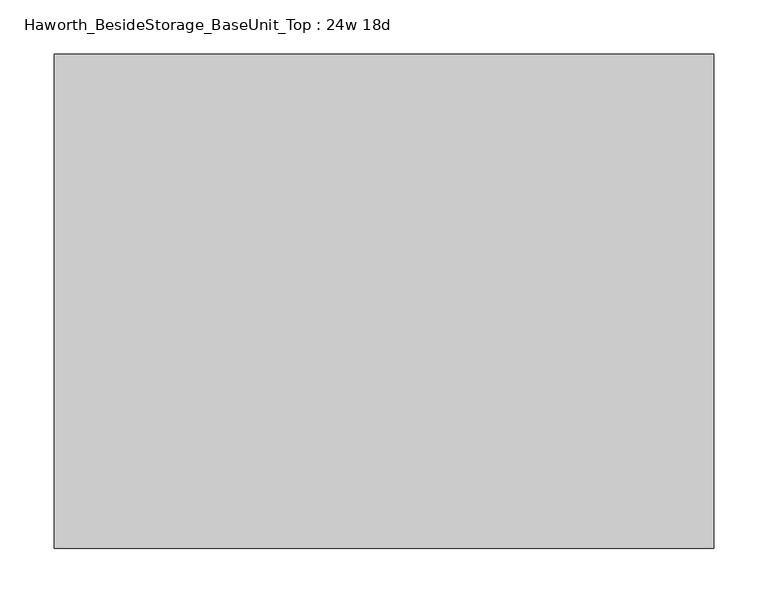
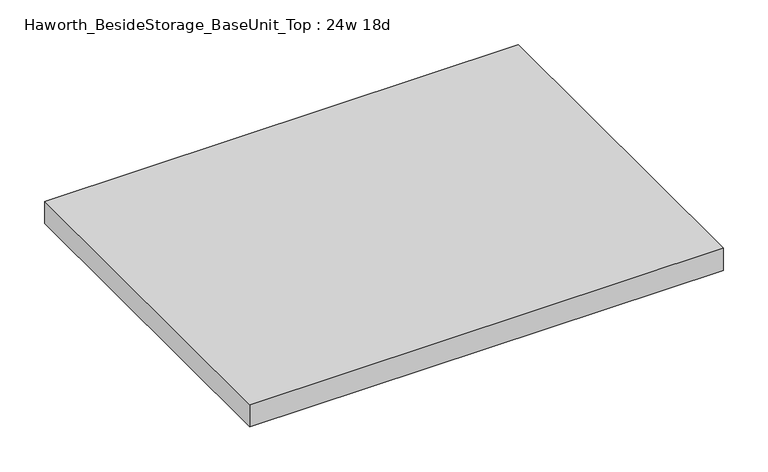
"""IFC4 building model written with IfcOpenShell, lengths in millimetres: furniture geometry, Haworth_BesideStorage_BaseUnit_Top : 24w 18d."""

from ifc_helpers import new_model, si_unit, frame, origin, place, context, project, spatial, polyline, outline, extrude, source, transform, mapped, element, save


def haworth_besidestorage_baseunit_top_24w_18d_dd1c4d3e(model_context):
    return source(origin(), model_context, "Body", "SweptSolid", [
        extrude(outline(polyline([(304.8, 228.6), (304.8, -228.6), (-304.8, -228.6), (-304.8, 228.6), (304.8, 228.6)])), frame((0.0, 0.0, 706.4375), z_axis=(0.0, 0.0, 1.0), x_axis=(1.0, 0.0, 0.0)), (0.0, 0.0, 1.0), 30.1625),
    ])


if __name__ == "__main__":
    model = new_model("IFC4")
    model_context = context("Model", 3, world=origin())
    ifc_project = project(units=[si_unit("LENGTHUNIT", "METRE", prefix="MILLI")], contexts=[model_context])
    site = spatial("IfcSite", under=ifc_project)
    building = spatial("IfcBuilding", under=site)
    placement = place(None, origin())
    haworth_besidestorage_baseunit_top_24w_18d_shape = haworth_besidestorage_baseunit_top_24w_18d_dd1c4d3e(model_context)
    element("IfcFurniture", 1, ObjectType="Haworth_BesideStorage_BaseUnit_Top : 24w 18d", at=placement, inside=building, context=model_context, shape_type="MappedRepresentation", body=[
        mapped(haworth_besidestorage_baseunit_top_24w_18d_shape, transform((0.0, 0.0, 0.0), x_axis=(1.0, 0.0, 0.0), y_axis=(0.0, 1.0, 0.0), z_axis=(0.0, 0.0, 1.0))),
    ])
    save(model, "model.ifc")
